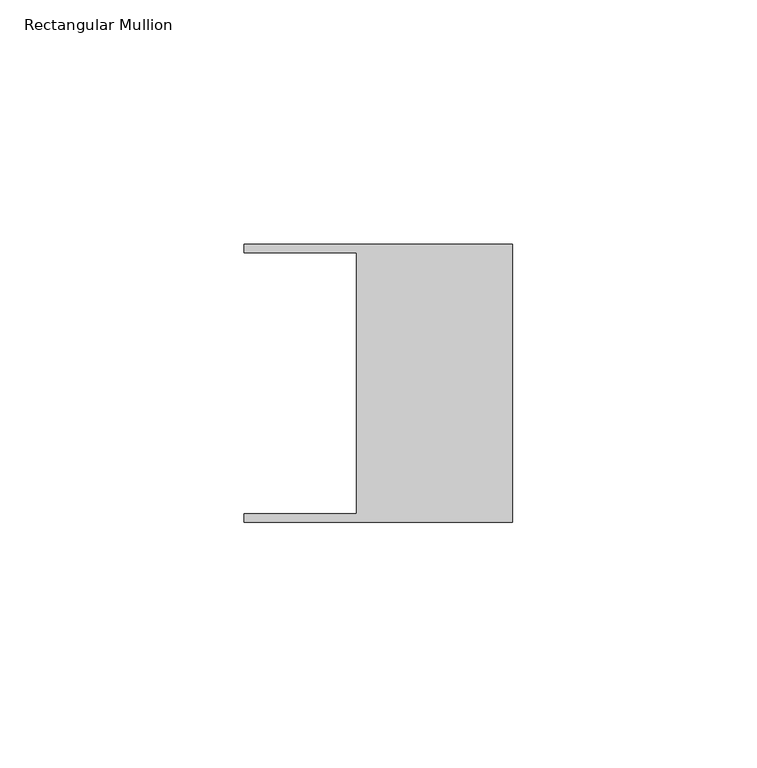
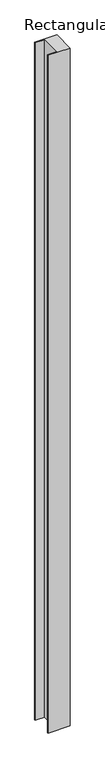
"""IFC4 building model written with IfcOpenShell, lengths in millimetres: member geometry, Rectangular Mullion."""

from ifc_helpers import new_model, si_unit, frame, origin, place, context, project, spatial, polyline, outline, extrude, source, transform, mapped, element, save


def rectangular_mullion_b50551b1(model_context):
    return source(origin(), model_context, "Body", "SweptSolid", [
        extrude(outline(polyline([(-32.004, 26.67), (-54.991, 26.67), (-54.991, 28.448), (0.0, 28.448), (0.0, -28.448), (-54.991, -28.448), (-54.991, -26.67), (-32.004, -26.67), (-32.004, 26.67)])), frame((0.0, 0.0, -1781.1622427), z_axis=(0.0, 0.0, 1.0), x_axis=(1.0, 0.0, 0.0)), (0.0, 0.0, 1.0), 1781.1622427),
    ])


if __name__ == "__main__":
    model = new_model("IFC4")
    model_context = context("Model", 3, world=origin())
    ifc_project = project(units=[si_unit("LENGTHUNIT", "METRE", prefix="MILLI")], contexts=[model_context])
    site = spatial("IfcSite", under=ifc_project)
    building = spatial("IfcBuilding", under=site)
    placement = place(None, origin())
    rectangular_mullion_shape = rectangular_mullion_b50551b1(model_context)
    element("IfcMember", 1, ObjectType="Rectangular Mullion", at=placement, inside=building, context=model_context, shape_type="MappedRepresentation", body=[
        mapped(rectangular_mullion_shape, transform((0.0, 0.0, 0.0), x_axis=(1.0, 0.0, 0.0), y_axis=(0.0, 1.0, 0.0), z_axis=(0.0, 0.0, 1.0))),
    ])
    save(model, "model.ifc")
